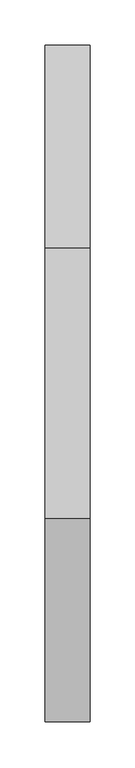
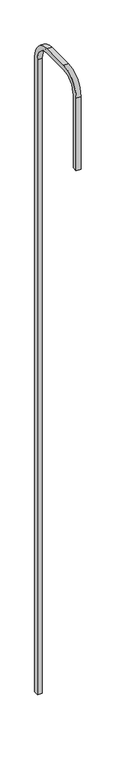
"""IFC4 building model written with IfcOpenShell, lengths in millimetres: proxy geometry."""

from ifc_helpers import new_model, si_unit, point, frame, frame_2d, origin, place, context, project, spatial, polyline, circle_curve, trimmed, segment, composite_curve, outline, extrude, source, transform, mapped, element, save


def mechanical_equipment_91b80c5d(model_context):
    return source(origin(), model_context, "Body", "SweptSolid", [
        extrude(outline(composite_curve([segment(polyline([(-675.0, 1421.9359014), (-725.0, 1421.9359014), (-725.0, 2221.9359014)]), True, "CONTINUOUS"), segment(trimmed(circle_curve(frame_2d((-500.0, 2221.9359014)), 225.0), [point((-725.0, 2221.9359014))], [point((-500.0, 2446.9359014))], False, "CARTESIAN"), True, "CONTINUOUS"), segment(polyline([(-500.0, 2446.9359014), (-200.0, 2446.9359014)]), True, "CONTINUOUS"), segment(trimmed(circle_curve(frame_2d((-200.0, 2221.9359014)), 225.0), [point((-200.0, 2446.9359014))], [point((25.0, 2221.9359014))], False, "CARTESIAN"), True, "CONTINUOUS"), segment(polyline([(25.0, 2221.9359014), (25.0, -4782.209287), (-25.0, -4782.209287), (-25.0, 2221.9359014)]), True, "CONTINUOUS"), segment(trimmed(circle_curve(frame_2d((-200.0, 2221.9359014)), 175.0), [point((-25.0, 2221.9359014))], [point((-200.0, 2396.9359014))], True, "CARTESIAN"), True, "CONTINUOUS"), segment(polyline([(-200.0, 2396.9359014), (-500.0, 2396.9359014)]), True, "CONTINUOUS"), segment(trimmed(circle_curve(frame_2d((-500.0, 2221.9359014)), 175.0), [point((-500.0, 2396.9359014))], [point((-675.0, 2221.9359014))], True, "CARTESIAN"), True, "CONTINUOUS"), segment(polyline([(-675.0, 2221.9359014), (-675.0, 1421.9359014)]), True, "CONTINUOUS")], self_intersect=False)), frame((-25.0, 0.0, 0.0), z_axis=(1.0, 0.0, 0.0), x_axis=(0.0, 1.0, 0.0)), (0.0, 0.0, 1.0), 50.0),
    ])


if __name__ == "__main__":
    model = new_model("IFC4")
    model_context = context("Model", 3, world=origin())
    ifc_project = project(units=[si_unit("LENGTHUNIT", "METRE", prefix="MILLI")], contexts=[model_context])
    site = spatial("IfcSite", under=ifc_project)
    building = spatial("IfcBuilding", under=site)
    placement = place(None, origin())
    mechanical_equipment_shape = mechanical_equipment_91b80c5d(model_context)
    element("IfcBuildingElementProxy", 1, Name="Mechanical Equipment", at=placement, inside=building, context=model_context, shape_type="MappedRepresentation", body=[
        mapped(mechanical_equipment_shape, transform((0.0, 0.0, 0.0), x_axis=(1.0, 0.0, 0.0), y_axis=(0.0, 1.0, 0.0), z_axis=(0.0, 0.0, 1.0))),
    ])
    save(model, "model.ifc")
